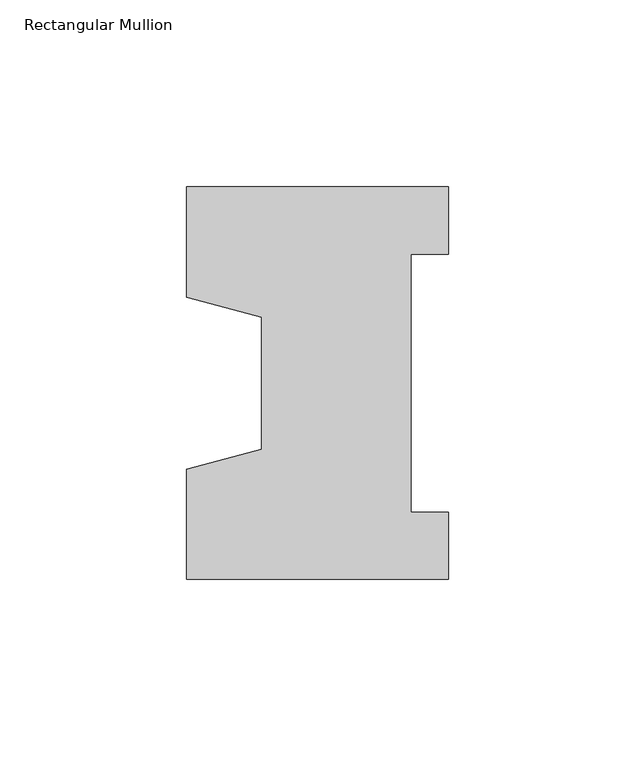
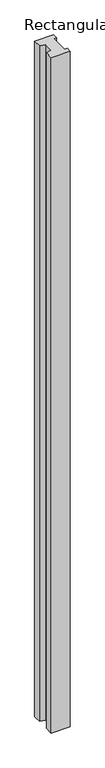
"""IFC4 building model written with IfcOpenShell, lengths in millimetres: member geometry, Rectangular Mullion."""

from ifc_helpers import new_model, si_unit, frame, origin, place, context, project, spatial, polyline, outline, extrude, source, transform, mapped, element, save


def rectangular_mullion_f7b5e879(model_context):
    return source(origin(), model_context, "Body", "SweptSolid", [
        extrude(outline(polyline([(-70.0, -52.5), (-70.0, -22.9993165), (-50.0, -17.6401049), (-50.0, 17.6401049), (-70.0, 22.9993165), (-70.0, 52.5), (0.0, 52.5), (0.0, 34.5), (-10.0, 34.5), (-10.0, -34.5), (0.0, -34.5), (0.0, -52.5), (-70.0, -52.5)])), frame((0.0, 0.0, -2627.0), z_axis=(0.0, 0.0, 1.0), x_axis=(1.0, 0.0, 0.0)), (0.0, 0.0, 1.0), 2627.0),
    ])


if __name__ == "__main__":
    model = new_model("IFC4")
    model_context = context("Model", 3, world=origin())
    ifc_project = project(units=[si_unit("LENGTHUNIT", "METRE", prefix="MILLI")], contexts=[model_context])
    site = spatial("IfcSite", under=ifc_project)
    building = spatial("IfcBuilding", under=site)
    placement = place(None, origin())
    rectangular_mullion_shape = rectangular_mullion_f7b5e879(model_context)
    element("IfcMember", 1, ObjectType="Rectangular Mullion", at=placement, inside=building, context=model_context, shape_type="MappedRepresentation", body=[
        mapped(rectangular_mullion_shape, transform((0.0, 0.0, 0.0), x_axis=(1.0, 0.0, 0.0), y_axis=(0.0, 1.0, 0.0), z_axis=(0.0, 0.0, 1.0))),
    ])
    save(model, "model.ifc")
